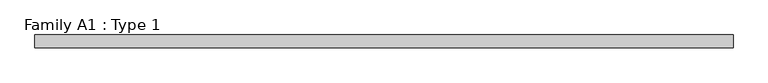
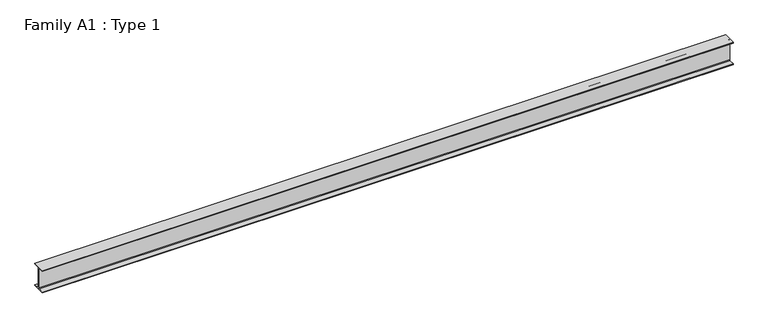
"""IFC4 building model written with IfcOpenShell, lengths in millimetres: beam geometry, Family A1 : Type 1."""

from ifc_helpers import new_model, si_unit, point, frame, frame_2d, origin, place, context, project, spatial, polyline, circle_curve, trimmed, segment, composite_curve, outline, extrude, source, transform, mapped, element, save


def family_a1_type_1_9ef4a1d7(model_context):
    return source(origin(), model_context, "Body", "SweptSolid", [
        extrude(outline(composite_curve([segment(polyline([(82.5, -141.5), (82.5, -151.7), (-82.5, -151.7), (-82.5, -141.5), (-11.9, -141.5)]), True, "CONTINUOUS"), segment(trimmed(circle_curve(frame_2d((-11.9, -132.6)), 8.9), [point((-11.9, -141.5))], [point((-3.0, -132.6))], True, "CARTESIAN"), True, "CONTINUOUS"), segment(polyline([(-3.0, -132.6), (-3.0, 132.6)]), True, "CONTINUOUS"), segment(trimmed(circle_curve(frame_2d((-11.9, 132.6)), 8.9), [point((-3.0, 132.6))], [point((-11.9, 141.5))], True, "CARTESIAN"), True, "CONTINUOUS"), segment(polyline([(-11.9, 141.5), (-82.5, 141.5), (-82.5, 151.7), (82.5, 151.7), (82.5, 141.5), (11.9, 141.5)]), True, "CONTINUOUS"), segment(trimmed(circle_curve(frame_2d((11.9, 132.6)), 8.9), [point((11.9, 141.5))], [point((3.0, 132.6))], True, "CARTESIAN"), True, "CONTINUOUS"), segment(polyline([(3.0, 132.6), (3.0, -132.6)]), True, "CONTINUOUS"), segment(trimmed(circle_curve(frame_2d((11.9, -132.6)), 8.9), [point((3.0, -132.6))], [point((11.9, -141.5))], True, "CARTESIAN"), True, "CONTINUOUS"), segment(polyline([(11.9, -141.5), (82.5, -141.5)]), True, "CONTINUOUS")], self_intersect=False)), frame((-4450.0, 0.0, 0.0), z_axis=(1.0, 0.0, 0.0), x_axis=(0.0, 1.0, 0.0)), (0.0, 0.0, 1.0), 8900.0),
    ])


if __name__ == "__main__":
    model = new_model("IFC4")
    model_context = context("Model", 3, world=origin())
    ifc_project = project(units=[si_unit("LENGTHUNIT", "METRE", prefix="MILLI")], contexts=[model_context])
    site = spatial("IfcSite", under=ifc_project)
    building = spatial("IfcBuilding", under=site)
    placement = place(None, origin())
    family_a1_type_1_shape = family_a1_type_1_9ef4a1d7(model_context)
    element("IfcBeam", 1, ObjectType="Family A1 : Type 1", at=placement, inside=building, context=model_context, shape_type="MappedRepresentation", body=[
        mapped(family_a1_type_1_shape, transform((0.0, 0.0, 0.0), x_axis=(1.0, 0.0, 0.0), y_axis=(0.0, 1.0, 0.0), z_axis=(0.0, 0.0, 1.0))),
    ])
    save(model, "model.ifc")
